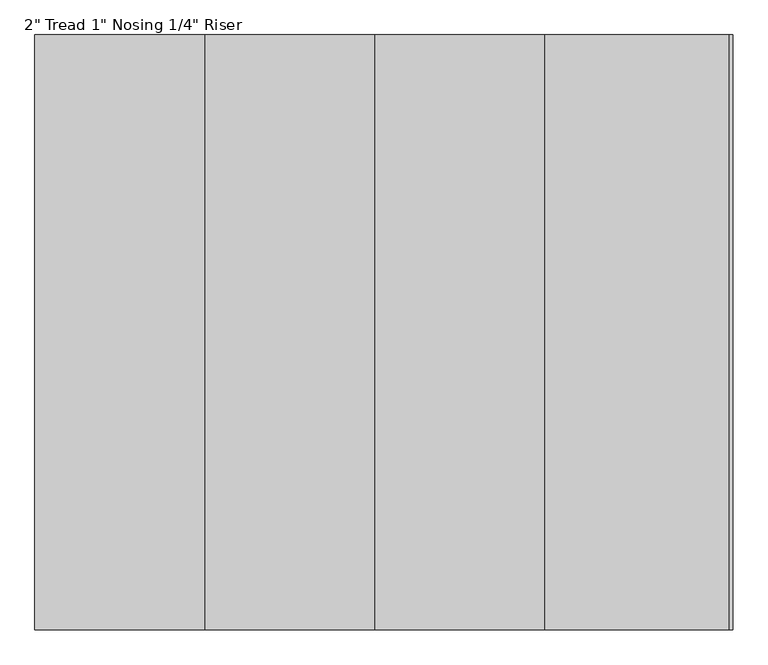
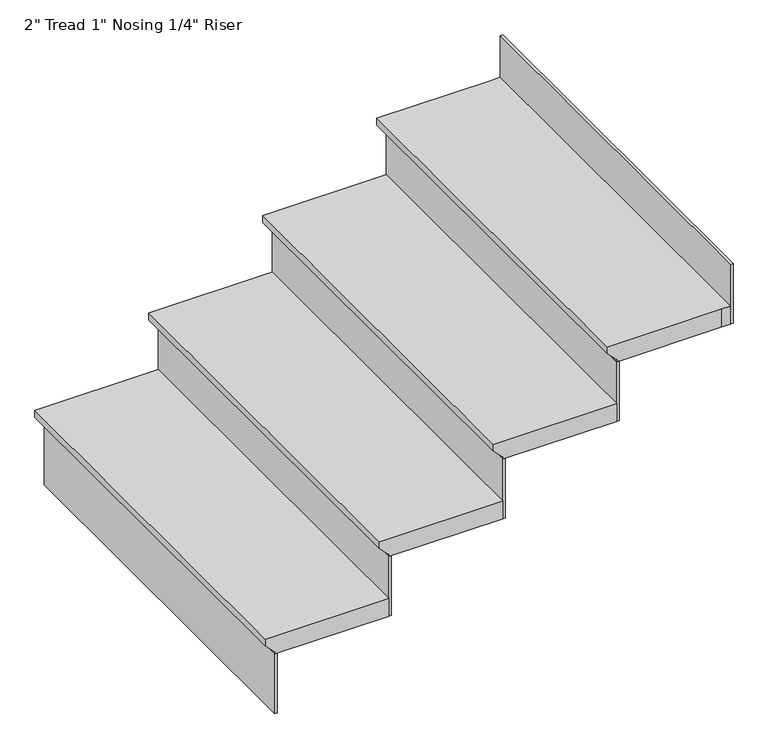
"""IFC4 building model written with IfcOpenShell, lengths in millimetres: stair flight geometry."""

from ifc_helpers import new_model, si_unit, origin, place, context, project, spatial, faceted_brep, source, transform, mapped, element, save


def stair_flight_71cfc5f4(model_context):
    return source(origin(), model_context, "Body", "Brep", [
        faceted_brep([(35912.5697162, -5622.8453523, 1162.7970588), (35912.5697162, -5622.8453523, 1181.8470588), (35912.5697162, -4556.0453523, 1181.8470588), (35912.5697162, -4556.0453523, 1162.7970588), (35937.9697162, -5622.8453523, 1137.3970588), (35937.9697162, -4556.0453523, 1137.3970588), (36242.7697162, -5622.8453523, 1181.8470588), (36242.7697162, -4556.0453523, 1181.8470588), (35937.9697162, -4556.0453523, 1131.0470588), (36242.7697162, -4556.0453523, 1131.0470588), (36242.7697162, -5622.8453523, 1131.0470588), (35937.9697162, -5622.8453523, 1131.0470588)], [[[0, 1, 2, 3]], [[4, 0, 3, 5]], [[2, 1, 6, 7]], [[8, 9, 10, 11]], [[2, 7, 9, 8, 5, 3]], [[8, 11, 4, 5]], [[6, 1, 0, 4, 11, 10]], [[7, 6, 10, 9]]]),
        faceted_brep([(35937.9697162, -5622.8453523, 1131.0470588), (35937.9697162, -5622.8453523, 962.2117647), (35944.3197162, -5622.8453523, 962.2117647), (35944.3197162, -5622.8453523, 1131.0470588), (35937.9697162, -4556.0453523, 1131.0470588), (35944.3197162, -4556.0453523, 1131.0470588), (35944.3197162, -4556.0453523, 962.2117647), (35937.9697162, -4556.0453523, 962.2117647)], [[[0, 1, 2, 3]], [[4, 5, 6, 7]], [[1, 0, 4, 7]], [[2, 1, 7, 6]], [[3, 2, 6, 5]], [[0, 3, 5, 4]]]),
        faceted_brep([(36242.7697162, -5622.8453523, 1299.8823529), (36242.7697162, -5622.8453523, 1131.0470588), (36249.1197162, -5622.8453523, 1131.0470588), (36249.1197162, -5622.8453523, 1299.8823529), (36242.7697162, -4556.0453523, 1299.8823529), (36249.1197162, -4556.0453523, 1299.8823529), (36249.1197162, -4556.0453523, 1131.0470588), (36242.7697162, -4556.0453523, 1131.0470588)], [[[0, 1, 2, 3]], [[4, 5, 6, 7]], [[1, 0, 4, 7]], [[2, 1, 7, 6]], [[3, 2, 6, 5]], [[0, 3, 5, 4]]]),
        faceted_brep([(36217.3697162, -4556.0453523, 1350.6823529), (36217.3697162, -5622.8453523, 1350.6823529), (36547.5697162, -5622.8453523, 1350.6823529), (36547.5697162, -4556.0453523, 1350.6823529), (36242.7697162, -4556.0453523, 1299.8823529), (36547.5697162, -4556.0453523, 1299.8823529), (36547.5697162, -5622.8453523, 1299.8823529), (36242.7697162, -5622.8453523, 1299.8823529), (36242.7697162, -4556.0453523, 1306.2323529), (36217.3697162, -4556.0453523, 1331.6323529), (36242.7697162, -5622.8453523, 1306.2323529), (36217.3697162, -5622.8453523, 1331.6323529)], [[[0, 1, 2, 3]], [[4, 5, 6, 7]], [[0, 3, 5, 4, 8, 9]], [[4, 7, 10, 8]], [[2, 1, 11, 10, 7, 6]], [[3, 2, 6, 5]], [[11, 1, 0, 9]], [[10, 11, 9, 8]]]),
        faceted_brep([(36547.5697162, -5622.8453523, 1468.7176471), (36547.5697162, -5622.8453523, 1299.8823529), (36553.9197162, -5622.8453523, 1299.8823529), (36553.9197162, -5622.8453523, 1468.7176471), (36547.5697162, -4556.0453523, 1468.7176471), (36553.9197162, -4556.0453523, 1468.7176471), (36553.9197162, -4556.0453523, 1299.8823529), (36547.5697162, -4556.0453523, 1299.8823529)], [[[0, 1, 2, 3]], [[4, 5, 6, 7]], [[1, 0, 4, 7]], [[2, 1, 7, 6]], [[3, 2, 6, 5]], [[0, 3, 5, 4]]]),
        faceted_brep([(36522.1697162, -4556.0453523, 1519.5176471), (36522.1697162, -5622.8453523, 1519.5176471), (36852.3697162, -5622.8453523, 1519.5176471), (36852.3697162, -4556.0453523, 1519.5176471), (36547.5697162, -4556.0453523, 1468.7176471), (36852.3697162, -4556.0453523, 1468.7176471), (36852.3697162, -5622.8453523, 1468.7176471), (36547.5697162, -5622.8453523, 1468.7176471), (36547.5697162, -4556.0453523, 1475.0676471), (36522.1697162, -4556.0453523, 1500.4676471), (36547.5697162, -5622.8453523, 1475.0676471), (36522.1697162, -5622.8453523, 1500.4676471)], [[[0, 1, 2, 3]], [[4, 5, 6, 7]], [[0, 3, 5, 4, 8, 9]], [[4, 7, 10, 8]], [[2, 1, 11, 10, 7, 6]], [[3, 2, 6, 5]], [[11, 1, 0, 9]], [[10, 11, 9, 8]]]),
        faceted_brep([(37157.1697162, -5622.8453523, 1806.3882353), (37157.1697162, -5622.8453523, 1637.5529412), (37163.5197162, -5622.8453523, 1637.5529412), (37163.5197162, -5622.8453523, 1806.3882353), (37157.1697162, -4556.0453523, 1806.3882353), (37163.5197162, -4556.0453523, 1806.3882353), (37163.5197162, -4556.0453523, 1637.5529412), (37157.1697162, -4556.0453523, 1637.5529412)], [[[0, 1, 2, 3]], [[4, 5, 6, 7]], [[1, 0, 4, 7]], [[2, 1, 7, 6]], [[3, 2, 6, 5]], [[0, 3, 5, 4]]]),
        faceted_brep([(36852.3697162, -5622.8453523, 1637.5529412), (36852.3697162, -5622.8453523, 1468.7176471), (36858.7197162, -5622.8453523, 1468.7176471), (36858.7197162, -5622.8453523, 1637.5529412), (36852.3697162, -4556.0453523, 1637.5529412), (36858.7197162, -4556.0453523, 1637.5529412), (36858.7197162, -4556.0453523, 1468.7176471), (36852.3697162, -4556.0453523, 1468.7176471)], [[[0, 1, 2, 3]], [[4, 5, 6, 7]], [[1, 0, 4, 7]], [[2, 1, 7, 6]], [[3, 2, 6, 5]], [[0, 3, 5, 4]]]),
        faceted_brep([(37157.1697162, -4556.0453523, 1688.3529412), (37131.7697162, -4556.0453523, 1688.3529412), (36826.9697162, -4556.0453523, 1688.3529412), (36826.9697162, -5622.8453523, 1688.3529412), (37131.7697162, -5622.8453523, 1688.3529412), (37157.1697162, -5622.8453523, 1688.3529412), (37131.7697162, -4556.0453523, 1637.5529412), (37157.1697162, -4556.0453523, 1637.5529412), (37157.1697162, -5622.8453523, 1637.5529412), (37131.7697162, -5622.8453523, 1637.5529412), (36852.3697162, -5622.8453523, 1637.5529412), (36852.3697162, -4556.0453523, 1637.5529412), (36852.3697162, -4556.0453523, 1643.9029412), (36826.9697162, -4556.0453523, 1669.3029412), (36852.3697162, -5622.8453523, 1643.9029412), (36826.9697162, -5622.8453523, 1669.3029412)], [[[0, 1, 2, 3, 4, 5]], [[6, 7, 8, 9, 10, 11]], [[1, 0, 7, 6]], [[2, 1, 6, 11, 12, 13]], [[11, 10, 14, 12]], [[4, 3, 15, 14, 10, 9]], [[5, 4, 9, 8]], [[0, 5, 8, 7]], [[15, 3, 2, 13]], [[14, 15, 13, 12]]]),
    ])


if __name__ == "__main__":
    model = new_model("IFC4")
    model_context = context("Model", 3, world=origin())
    ifc_project = project(units=[si_unit("LENGTHUNIT", "METRE", prefix="MILLI")], contexts=[model_context])
    site = spatial("IfcSite", under=ifc_project)
    building = spatial("IfcBuilding", under=site)
    placement = place(None, origin())
    stair_flight_shape = stair_flight_71cfc5f4(model_context)
    element("IfcStairFlight", 1, ObjectType="2\" Tread 1\" Nosing 1/4\" Riser", at=placement, inside=building, context=model_context, shape_type="MappedRepresentation", body=[
        mapped(stair_flight_shape, transform((0.0, 0.0, 0.0), x_axis=(1.0, 0.0, 0.0), y_axis=(0.0, 1.0, 0.0), z_axis=(0.0, 0.0, 1.0))),
    ])
    save(model, "model.ifc")
